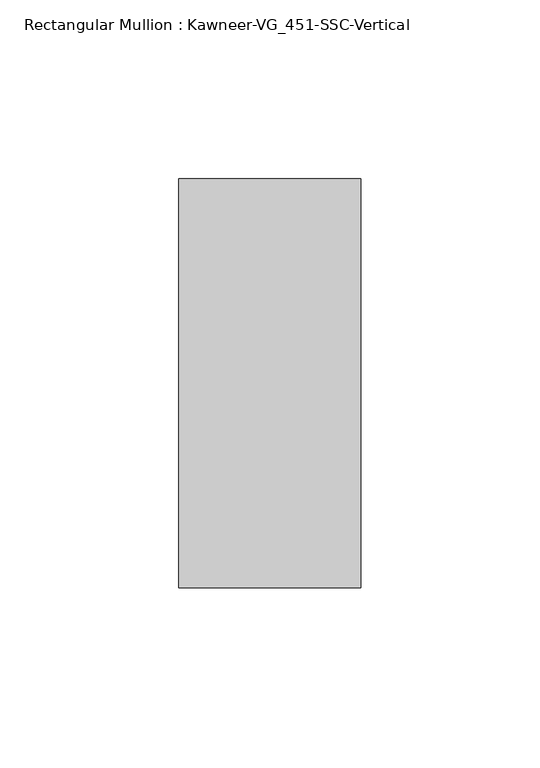
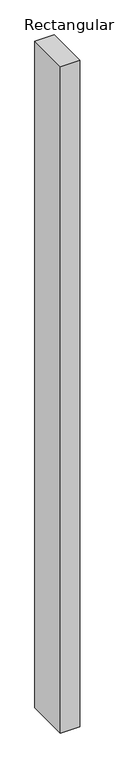
"""IFC4 building model written with IfcOpenShell, lengths in millimetres: member geometry, Rectangular Mullion : Kawneer-VG_451-SSC-Vertical."""

from ifc_helpers import new_model, si_unit, frame, origin, place, context, project, spatial, polyline, outline, extrude, source, transform, mapped, element, save


def rectangular_mullion_kawneer_vg_451_ssc_vertical_585972e0(model_context):
    return source(origin(), model_context, "Body", "SweptSolid", [
        extrude(outline(polyline([(25.4, 57.15), (25.4, -57.15), (-25.4, -57.15), (-25.4, 57.15), (25.4, 57.15)])), frame((0.0, 0.0, -1828.8), z_axis=(0.0, 0.0, 1.0), x_axis=(1.0, 0.0, 0.0)), (0.0, 0.0, 1.0), 1828.8),
    ])


if __name__ == "__main__":
    model = new_model("IFC4")
    model_context = context("Model", 3, world=origin())
    ifc_project = project(units=[si_unit("LENGTHUNIT", "METRE", prefix="MILLI")], contexts=[model_context])
    site = spatial("IfcSite", under=ifc_project)
    building = spatial("IfcBuilding", under=site)
    placement = place(None, origin())
    rectangular_mullion_kawneer_vg_451_ssc_vertical_shape = rectangular_mullion_kawneer_vg_451_ssc_vertical_585972e0(model_context)
    element("IfcMember", 1, ObjectType="Rectangular Mullion : Kawneer-VG_451-SSC-Vertical", at=placement, inside=building, context=model_context, shape_type="MappedRepresentation", body=[
        mapped(rectangular_mullion_kawneer_vg_451_ssc_vertical_shape, transform((0.0, 0.0, 0.0), x_axis=(1.0, 0.0, 0.0), y_axis=(0.0, 1.0, 0.0), z_axis=(0.0, 0.0, 1.0))),
    ])
    save(model, "model.ifc")
